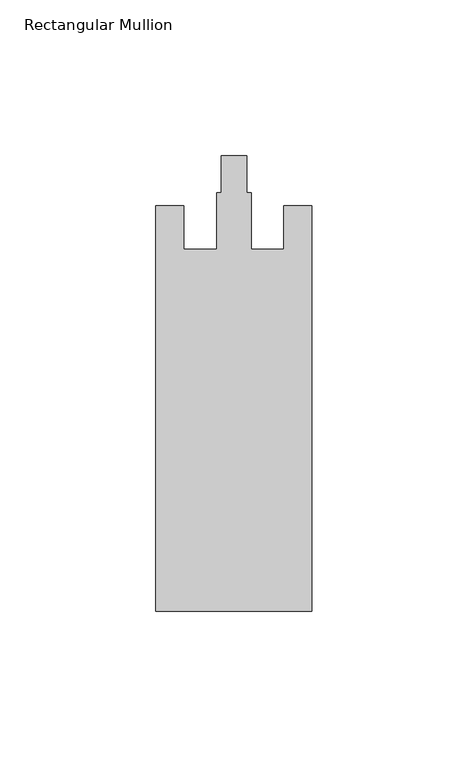
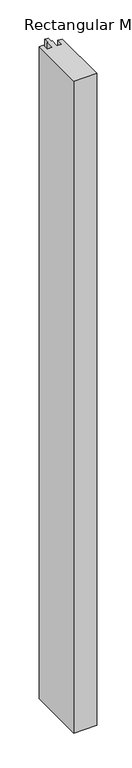
"""IFC4 building model written with IfcOpenShell, lengths in millimetres: member geometry, Rectangular Mullion."""

from ifc_helpers import new_model, si_unit, frame, origin, place, context, project, spatial, polyline, outline, extrude, source, transform, mapped, element, save


def rectangular_mullion_68bb7ffd(model_context):
    return source(origin(), model_context, "Body", "SweptSolid", [
        extrude(outline(polyline([(-50.0, -153.0), (-50.0, -23.0), (-41.0, -23.0), (-41.0, -37.0), (-30.5, -37.0), (-30.5, -18.8), (-29.1, -18.8), (-29.1, -7.0), (-20.9, -7.0), (-20.9, -18.8), (-19.5, -18.8), (-19.5, -37.0), (-9.0, -37.0), (-9.0, -23.0), (0.0, -23.0), (0.0, -153.0), (-50.0, -153.0)])), frame((0.0, 0.0, -1500.0), z_axis=(0.0, 0.0, 1.0), x_axis=(1.0, 0.0, 0.0)), (0.0, 0.0, 1.0), 1500.0),
    ])


if __name__ == "__main__":
    model = new_model("IFC4")
    model_context = context("Model", 3, world=origin())
    ifc_project = project(units=[si_unit("LENGTHUNIT", "METRE", prefix="MILLI")], contexts=[model_context])
    site = spatial("IfcSite", under=ifc_project)
    building = spatial("IfcBuilding", under=site)
    placement = place(None, origin())
    rectangular_mullion_shape = rectangular_mullion_68bb7ffd(model_context)
    element("IfcMember", 1, ObjectType="Rectangular Mullion", at=placement, inside=building, context=model_context, shape_type="MappedRepresentation", body=[
        mapped(rectangular_mullion_shape, transform((0.0, 0.0, 0.0), x_axis=(1.0, 0.0, 0.0), y_axis=(0.0, 1.0, 0.0), z_axis=(0.0, 0.0, 1.0))),
    ])
    save(model, "model.ifc")
